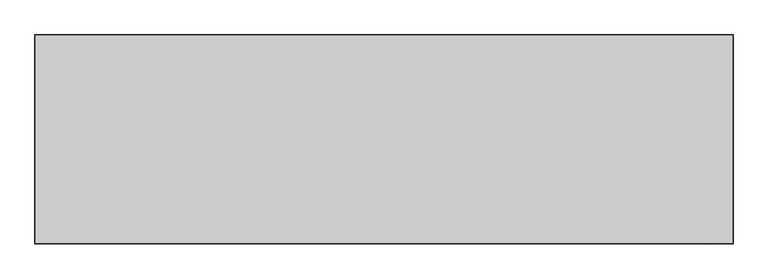
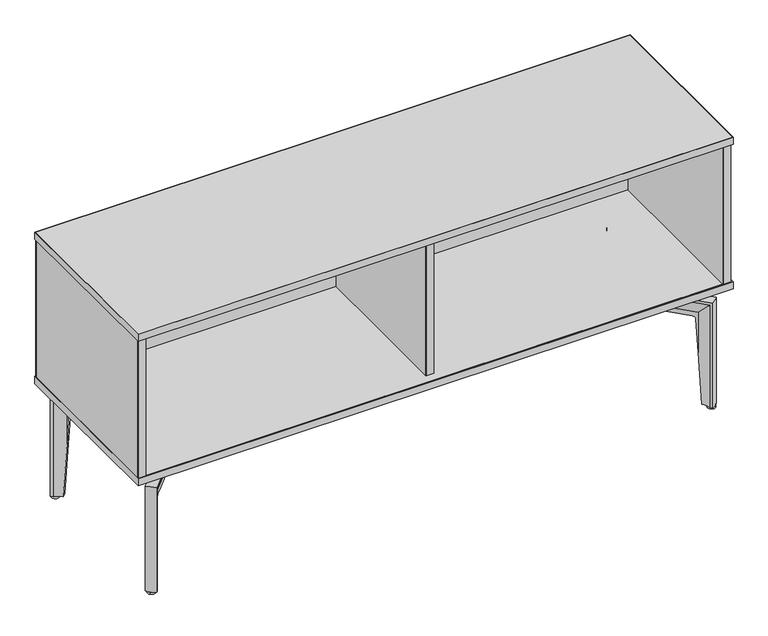
"""IFC4 building model written with IfcOpenShell, lengths in millimetres: furniture geometry."""

from ifc_helpers import new_model, si_unit, point, frame, frame_2d, origin, origin_with_axes, place, context, project, spatial, polyline, circle_curve, ellipse_curve, trimmed, segment, composite_curve, outline, extrude, source, transform, mapped, element, save
from ifc_brep_helpers import plane_surface, cylinder_surface, revolved_surface, advanced_brep


def furniture_8b2c72a3(model_context):
    return source(origin(), model_context, "Body", "SolidModel", [
        extrude(outline(polyline([(702.1577951, -741.3402537), (482.4042217, -741.3402537), (549.8341331, -9.144), (702.1577951, -9.144), (702.1577951, -741.3402537)])), frame((0.0, 196.2456986, 0.0), z_axis=(0.0, 1.0, 0.0), x_axis=(0.0, 0.0, 1.0)), (0.0, 0.0, 1.0), 5.5970234),
        extrude(outline(polyline([(702.1577951, 9.398), (481.9859456, 9.398), (549.0494889, 737.616), (702.1577951, 737.616), (702.1577951, 9.398)])), frame((0.0, 196.2456986, 0.0), z_axis=(0.0, 1.0, 0.0), x_axis=(0.0, 0.0, 1.0)), (0.0, 0.0, 1.0), 5.5970234),
        extrude(outline(polyline([(330.3398292, -741.3402537), (330.3398292, -9.144), (549.3343074, -9.144), (481.9043961, -741.3402537), (330.3398292, -741.3402537)])), frame((0.0, 196.2456986, 0.0), z_axis=(0.0, 1.0, 0.0), x_axis=(0.0, 0.0, 1.0)), (0.0, 0.0, 1.0), 5.5970234),
        extrude(outline(polyline([(330.3398292, 9.398), (330.3398292, 737.616), (548.5496633, 737.616), (481.48612, 9.398), (330.3398292, 9.398)])), frame((0.0, 196.2456986, 0.0), z_axis=(0.0, 1.0, 0.0), x_axis=(0.0, 0.0, 1.0)), (0.0, 0.0, 1.0), 5.5970234),
        advanced_brep(
        [(555.5054764, -28.1021782, 289.6785635), (555.5054764, -28.1021782, 283.3285635), (550.1618451, -33.1568653, 253.1125717), (550.1618451, -33.1568653, 240.9225725), (543.0228204, -39.909864, 240.9225725), (543.0228204, -39.909864, 253.4109455), (537.0530074, -45.5568735, 284.0790905), (537.0530074, -45.5568735, 289.6785635), (710.2813744, -228.6876014, 289.6785635), (728.7338434, -211.2329061, 289.6785635), (706.4334573, -224.6197234, 284.0790905), (706.4334573, -224.6197234, 6.3562496), (710.2813744, -228.6876014, 6.3562496), (691.328344, -196.6930685, 253.4109455), (676.9014635, -181.4414953, 240.9225725), (676.9014635, -181.4414953, 241.3236963), (681.4424072, -186.2420158, 241.3236963), (687.4986681, -192.6444745, 233.0469295), (691.328344, -196.6930685, 144.3369902), (684.0404881, -174.6884965, 240.9225725), (698.2623283, -189.7233087, 253.1125717), (698.2623283, -189.7233087, 149.086507), (694.6376927, -185.8914758, 233.0469295), (688.5814318, -179.4890171, 241.3236963), (684.0404881, -174.6884965, 241.3236963), (724.3701696, -206.6197889, 283.3285635), (728.7338434, -211.2329061, 6.3562496), (724.3701696, -206.6197889, 6.3562496), (696.9797212, -203.2791564, 6.3562496), (705.0224989, -195.6712729, 6.3562496)],
        [
            (0, 1),
            (1, 2, circle_curve(frame((605.1959857, 18.9014344, 250.6746121), z_axis=(0.6871927300424193, -0.7264751556501067, 0.0), x_axis=(0.0, 0.0, -1.0)), 75.7942403)),
            (2, 3),
            (3, 4),
            (4, 5),
            (5, 6, circle_curve(frame((502.9988711, -77.769613, 255.0837365), z_axis=(0.6871927300424193, -0.7264751556501067, 0.0), x_axis=(0.0, 0.0, -1.0)), 55.1187386)),
            (6, 7),
            (7, 0, circle_curve(frame((546.2792419, -36.8295258, 254.503341), z_axis=(-0.6871927300424193, 0.7264751556501067, 0.0), x_axis=(0.0, 0.0, -1.0)), 37.3976775)),
            (7, 8),
            (8, 9, ellipse_curve(frame((695.3354517, -194.4063285, 254.503341), z_axis=(-0.48591863939508295, 0.5136955089237483, 0.7071067811865492), x_axis=(-0.4859186393950995, 0.5136955089237378, -0.7071067811865457)), 52.8883027, 37.3976775)),
            (9, 0),
            (6, 10),
            (10, 11),
            (11, 12),
            (12, 8),
            (5, 13),
            (13, 10, ellipse_curve(frame((652.4539245, -235.7680586, 255.0837365), z_axis=(0.48591863939508295, -0.5136955089237483, -0.7071067811865492), x_axis=(0.4859186393950995, -0.5136955089237378, 0.7071067811865457)), 77.9496676, 55.1187386)),
            (4, 14),
            (14, 15),
            (15, 16),
            (16, 17, circle_curve(frame((681.4424072, -186.2420158, 232.493277), z_axis=(0.7264751556501068, 0.6871927300424192, 0.0), x_axis=(-0.6871927300424193, 0.7264751556501069, 0.0)), 8.8304193)),
            (17, 18),
            (18, 13),
            (3, 19),
            (19, 14),
            (2, 20),
            (20, 21),
            (21, 22),
            (22, 23, circle_curve(frame((688.5814318, -179.4890171, 232.493277), z_axis=(-0.7264751556501068, -0.6871927300424192, 0.0), x_axis=(-0.6871927300424193, 0.7264751556501069, 0.0)), 8.8304193)),
            (23, 24),
            (24, 19),
            (1, 25),
            (25, 20, ellipse_curve(frame((751.6211209, -135.8938918, 250.6746121), z_axis=(0.48591863939508295, -0.5136955089237483, -0.7071067811865492), x_axis=(0.4859186393950995, -0.5136955089237378, 0.7071067811865457)), 107.1892425, 75.7942403)),
            (9, 26),
            (26, 27),
            (27, 25),
            (11, 28, circle_curve(frame((652.4539245, -235.7680586, 6.3562496), z_axis=(0.0, 0.0, 1.0), x_axis=(-0.6871927300424193, 0.7264751556501067, 0.0)), 55.1187386)),
            (28, 29),
            (29, 27, circle_curve(frame((751.6211209, -135.8938918, 6.3562496), z_axis=(0.0, 0.0, 1.0), x_axis=(-0.6871927300424193, 0.7264751556501067, 0.0)), 75.7942403)),
            (26, 12, circle_curve(frame((695.3354517, -194.4063285, 6.3562496), z_axis=(0.0, 0.0, -1.0), x_axis=(-0.6871927300424193, 0.7264751556501067, 0.0)), 37.3976775)),
            (18, 28, ellipse_curve(frame((652.4539245, -235.7680586, 117.7094839), z_axis=(-0.6858406956061548, 0.7250458340281075, -0.06269831583824162), x_axis=(0.0430858268299333, -0.045548768757595434, -0.9980325251168162)), 879.1103529, 55.1187386)),
            (29, 21, ellipse_curve(frame((751.6211209, -135.8938918, 187.8939772), z_axis=(-0.6858406956061548, 0.7250458340281075, -0.06269831583824162), x_axis=(0.0430858268299333, -0.045548768757595434, -0.9980325251168162)), 1208.8720287, 75.7942403)),
            (24, 15),
            (23, 16),
            (17, 22),
        ],
        [
            plane_surface(frame((546.6180744, -36.509015, 241.3236963), z_axis=(-0.6871927300424193, 0.7264751556501067, 0.0), x_axis=(0.7264751556501067, 0.6871927300424193, 0.0))),
            cylinder_surface(frame((546.2792419, -36.8295258, 254.503341), z_axis=(-0.6871927300424194, 0.7264751556501068, 0.0), x_axis=(0.0, 0.0, -1.0)), 37.3976775),
            plane_surface(frame((537.0530074, -45.5568735, 284.0790905), z_axis=(-0.7264751556501069, -0.6871927300424192, 0.0), x_axis=(0.6871927300424192, -0.7264751556501069, 0.0))),
            revolved_surface(polyline([(690.3311209163066, -275.8104527731235, 199.9649979), (502.9988710580107, -77.7696129556105, 199.9649979)]), (502.9988711, -77.769613, 255.0837365), (0.6871927300424194, -0.7264751556501068, 0.0)),
            plane_surface(frame((543.0228204, -39.909864, 240.9225725), z_axis=(-0.726475155650107, -0.6871927300424191, 0.0), x_axis=(0.6871927300424191, -0.726475155650107, 0.0))),
            plane_surface(frame((550.1618451, -33.1568653, 240.9225725), z_axis=(0.0, 0.0, -1.0), x_axis=(0.6871927300424192, -0.7264751556501068, 0.0))),
            plane_surface(frame((550.1618451, -33.1568653, 253.1125717), z_axis=(0.7264751556501066, 0.6871927300424195, 0.0), x_axis=(0.6871927300424195, -0.7264751556501066, 0.0))),
            revolved_surface(polyline([(803.706371717944, -190.95652432963692, 174.88037179999998), (605.1959857, 18.9014344, 174.88037179999998)]), (605.1959857, 18.9014344, 250.6746121), (0.6871927300424194, -0.7264751556501068, 0.0)),
            plane_surface(frame((555.5054764, -28.1021782, 289.6785635), z_axis=(0.726475155650107, 0.6871927300424191, 0.0), x_axis=(0.6871927300424191, -0.726475155650107, 0.0))),
            plane_surface(frame((686.6173282, -184.5111332, 6.3562496), z_axis=(0.0, 0.0, -1.0000000000000002), x_axis=(0.7264751556501068, 0.6871927300424193, 0.0))),
            cylinder_surface(frame((695.3354517, -194.4063285, 241.3236963), z_axis=(0.0, 0.0, 0.9999999999999999), x_axis=(-0.6871927300424193, 0.7264751556501067, 0.0)), 37.3976775),
            revolved_surface(polyline([(614.5767280449714, -195.72566439632743, -759.671241461122), (614.5767280449714, -195.72566439632743, 995.0902092611223)]), (652.4539245, -235.7680586, 241.3236963), (0.0, 0.0, -0.9999999999999999)),
            revolved_surface(polyline([(699.5358699867519, -80.83125928067591, -1018.5996261465491), (699.5358699867519, -80.83125928067591, 1394.3875805465489)]), (751.6211209, -135.8938918, 241.3236963), (0.0, 0.0, -0.9999999999999999)),
            plane_surface(frame((459.06709, -387.4969903, 241.3236963), z_axis=(0.6871927300424192, -0.7264751556501068, 0.0), x_axis=(0.7264751556501068, 0.6871927300424192, 0.0))),
            plane_surface(frame((463.6080337, -392.2975108, 241.3236963), z_axis=(0.0, 0.0, -1.0000000000000002), x_axis=(0.7264751556501069, 0.6871927300424191, 0.0))),
            plane_surface(frame((480.794127, -410.4660235, -24.7625535), z_axis=(-0.6858406956061548, 0.7250458340281075, -0.06269831583824162), x_axis=(0.7264751556501068, 0.6871927300424192, 0.0))),
            revolved_surface(polyline([(675.3742072634573, -179.8269355747717, 232.493277), (682.5132318526814, -173.07393685326872, 232.493277)]), (843.4060983, -33.0361282, 232.493277), (-0.7264751556501069, -0.6871927300424193, 0.0)),
        ],
        [
            (0, [[1, 2, 3, 4, 5, 6, 7, 8]]),
            (1, [[-8, 9, 10, 11]]),
            (2, [[-7, 12, 13, 14, 15, -9]]),
            (3, [[-6, 16, 17, -12]]),
            (4, [[-5, 18, 19, 20, 21, 22, 23, -16]]),
            (5, [[-4, 24, 25, -18]]),
            (6, [[-3, 26, 27, 28, 29, 30, 31, -24]]),
            (7, [[-2, 32, 33, -26]]),
            (8, [[-1, -11, 34, 35, 36, -32]]),
            (9, [[-14, 37, 38, 39, -35, 40]]),
            (10, [[-10, -15, -40, -34]]),
            (11, [[-13, -17, -23, 41, -37]]),
            (12, [[-33, -36, -39, 42, -27]]),
            (13, [[43, -19, -25, -31]]),
            (14, [[-43, -30, 44, -20]]),
            (15, [[45, -28, -42, -38, -41, -22]]),
            (16, [[-44, -29, -45, -21]]),
        ],
    ),
        extrude(outline(composite_curve([segment(polyline([(4.5840778, 0.0), (4.5840778, -44.6457894)]), True, "CONTINUOUS"), segment(trimmed(circle_curve(frame_2d((12.9012907, -44.6457894)), 8.3172129), [point((4.5840778, -44.6457894))], [point((12.9012907, -52.9630023))], True, "CARTESIAN"), True, "CONTINUOUS"), segment(polyline([(12.9012907, -52.9630023), (42.0337655, -52.9630023)]), True, "CONTINUOUS"), segment(trimmed(circle_curve(frame_2d((42.0337655, -44.9488052)), 8.0141971), [point((42.0337655, -52.9630023))], [point((50.0479626, -44.9488052))], True, "CARTESIAN"), True, "CONTINUOUS"), segment(polyline([(50.0479626, -44.9488052), (50.0479626, 0.2920503), (57.3277972, 0.2920503), (57.3277972, -45.579461)]), True, "CONTINUOUS"), segment(trimmed(circle_curve(frame_2d((44.6277972, -45.579461)), 12.7), [point((57.3277972, -45.579461))], [point((44.6277972, -58.279461))], False, "CARTESIAN"), True, "CONTINUOUS"), segment(polyline([(44.6277972, -58.279461), (9.6882895, -58.279461)]), True, "CONTINUOUS"), segment(trimmed(circle_curve(frame_2d((9.6882895, -48.5911714)), 9.6882895), [point((9.6882895, -58.279461))], [point((0.0, -48.5911714))], False, "CARTESIAN"), True, "CONTINUOUS"), segment(polyline([(0.0, -48.5911714), (0.0, 0.0), (4.5840778, 0.0)]), True, "CONTINUOUS")], self_intersect=False)), frame((500.2529225, -9.2745993, 291.9003697), z_axis=(0.7264751556501202, 0.6871927300424051, 0.0), x_axis=(0.0, 0.0, -1.0)), (0.0, 0.0, 1.0), 28.0975143),
        extrude(outline(composite_curve([segment(polyline([(619.1341848, -98.6051615), (643.1823717, -126.494752)]), True, "CONTINUOUS"), segment(trimmed(circle_curve(frame_2d((635.994107, -131.6733748)), 8.8594178), [point((643.1823717, -126.494752))], [point((629.8143067, -138.0215518))], False, "CARTESIAN"), True, "CONTINUOUS"), segment(polyline([(629.8143067, -138.0215518), (604.1063051, -112.9954194)]), True, "CONTINUOUS"), segment(trimmed(circle_curve(frame_2d((611.2446339, -105.4080364)), 10.4174911), [point((604.1063051, -112.9954194))], [point((619.1341848, -98.6051615))], False, "CARTESIAN"), True, "CONTINUOUS")], self_intersect=False)), frame((0.0, 0.0, 287.3162919), z_axis=(0.0, 0.0, 1.0), x_axis=(1.0, 0.0, 0.0)), (0.0, 0.0, 1.0), 14.2341844),
        extrude(outline(composite_curve([segment(trimmed(circle_curve(frame_2d((715.0885014, -213.5859112)), 9.8672738), [point((722.8121081, -219.7266758))], [point((707.3648946, -207.4451465))], False, "CARTESIAN"), True, "CONTINUOUS"), segment(trimmed(circle_curve(frame_2d((715.0885014, -213.5859112)), 9.8672738), [point((707.3648946, -207.4451465))], [point((722.8121081, -219.7266758))], False, "CARTESIAN"), True, "CONTINUOUS")], self_intersect=False)), origin_with_axes(), (0.0, 0.0, 1.0), 6.6101858),
        advanced_brep(
        [(555.86769, 27.9858729, 289.6785635), (537.4128499, 45.4380613, 289.6785635), (537.4128499, 45.4380613, 284.0790905), (543.38343, 39.7918629, 253.4109455), (543.38343, 39.7918629, 240.9225725), (550.523372, 33.0398341, 240.9225725), (550.523372, 33.0398341, 253.1125717), (555.86769, 27.9858729, 283.3285635), (729.0711768, 211.1401325, 289.6785635), (710.6163367, 228.5923209, 289.6785635), (710.6163367, 228.5923209, 6.3562496), (706.7689722, 224.5239201, 6.3562496), (706.7689722, 224.5239201, 284.0790905), (691.667653, 196.5952135, 253.4109455), (691.667653, 196.5952135, 144.3369902), (687.8385271, 192.5460992, 233.0469295), (681.7831361, 186.1428178, 241.3236963), (677.2428446, 181.3416805, 241.3236963), (677.2428446, 181.3416805, 240.9225725), (684.3827865, 174.5896516, 240.9225725), (684.3827865, 174.5896516, 241.3236963), (688.923078, 179.390789, 241.3236963), (694.9784691, 185.7940704, 233.0469295), (698.6025841, 189.6263957, 149.086507), (698.6025841, 189.6263957, 253.1125717), (724.7081297, 206.5264225, 283.3285635), (724.7081297, 206.5264225, 6.3562496), (729.0711768, 211.1401325, 6.3562496), (705.3619465, 195.5752782, 6.3562496), (697.3181354, 203.182069, 6.3562496)],
        [
            (0, 1, circle_curve(frame((546.6402699, 36.7119671, 254.503341), z_axis=(-0.6870940309082151, -0.7265685051599065, 0.0), x_axis=(0.0, 0.0, -1.0)), 37.3976775)),
            (1, 2),
            (2, 3, circle_curve(frame((503.3543377, 77.6461742, 255.0837365), z_axis=(0.6870940309082151, 0.7265685051599065, 0.0), x_axis=(0.0, 0.0, -1.0)), 55.1187386)),
            (3, 4),
            (4, 5),
            (5, 6),
            (6, 7, circle_curve(frame((605.5645844, -19.0109887, 250.6746121), z_axis=(0.6870940309082151, 0.7265685051599065, 0.0), x_axis=(0.0, 0.0, -1.0)), 75.7942403)),
            (7, 0),
            (0, 8),
            (8, 9, ellipse_curve(frame((695.6750713, 194.3090178, 254.503341), z_axis=(-0.4858488485679899, -0.513761516995148, 0.7071067811865492), x_axis=(-0.48584884856800636, -0.5137615169951377, -0.7071067811865456)), 52.8883027, 37.3976775)),
            (9, 1),
            (9, 10),
            (10, 11),
            (11, 12),
            (12, 2),
            (12, 13, ellipse_curve(frame((652.7879254, 235.664922, 255.0837365), z_axis=(0.4858488485679899, 0.513761516995148, -0.7071067811865492), x_axis=(0.48584884856800636, 0.5137615169951377, 0.7071067811865456)), 77.9496676, 55.1187386)),
            (13, 3),
            (13, 14),
            (14, 15),
            (15, 16, circle_curve(frame((681.7831361, 186.1428178, 232.493277), z_axis=(0.7265685051599066, -0.687094030908215, 0.0), x_axis=(-0.687094030908215, -0.7265685051599066, 0.0)), 8.8304193)),
            (16, 17),
            (17, 18),
            (18, 4),
            (18, 19),
            (19, 5),
            (19, 20),
            (20, 21),
            (21, 22, circle_curve(frame((688.923078, 179.390789, 232.493277), z_axis=(-0.7265685051599066, 0.687094030908215, 0.0), x_axis=(-0.687094030908215, -0.7265685051599066, 0.0)), 8.8304193)),
            (22, 23),
            (23, 24),
            (24, 6),
            (24, 25, ellipse_curve(frame((751.968689, 135.8042282, 250.6746121), z_axis=(0.4858488485679899, 0.513761516995148, -0.7071067811865492), x_axis=(0.48584884856800636, 0.5137615169951377, 0.7071067811865456)), 107.1892425, 75.7942403)),
            (25, 7),
            (25, 26),
            (26, 27),
            (27, 8),
            (10, 27, circle_curve(frame((695.6750713, 194.3090178, 6.3562496), z_axis=(0.0, 0.0, -1.0), x_axis=(-0.687094030908215, -0.7265685051599063, 0.0)), 37.3976775)),
            (26, 28, circle_curve(frame((751.968689, 135.8042282, 6.3562496), z_axis=(0.0, 0.0, 1.0), x_axis=(-0.687094030908215, -0.7265685051599063, 0.0)), 75.7942403)),
            (28, 29),
            (29, 11, circle_curve(frame((652.7879254, 235.664922, 6.3562496), z_axis=(0.0, 0.0, 1.0), x_axis=(-0.687094030908215, -0.7265685051599063, 0.0)), 55.1187386)),
            (29, 14, ellipse_curve(frame((652.7879254, 235.664922, 117.7094839), z_axis=(-0.6857421906600181, -0.7251389998750913, -0.06269831583824162), x_axis=(0.04307963856044399, 0.0455546216146442, -0.9980325251168162)), 879.1103529, 55.1187386)),
            (23, 28, ellipse_curve(frame((751.968689, 135.8042282, 187.8939772), z_axis=(-0.6857421906600181, -0.7251389998750913, -0.06269831583824162), x_axis=(0.04307963856044399, 0.0455546216146442, -0.9980325251168162)), 1208.8720287, 75.7942403)),
            (17, 20),
            (16, 21),
            (22, 15),
        ],
        [
            plane_surface(frame((546.9791459, 36.3915023, 241.3236963), z_axis=(-0.6870940309082151, -0.7265685051599065, 0.0), x_axis=(0.7265685051599065, -0.6870940309082151, 0.0))),
            cylinder_surface(frame((546.6402699, 36.7119671, 254.503341), z_axis=(-0.6870940309082151, -0.7265685051599065, 0.0), x_axis=(0.0, 0.0, -1.0)), 37.3976775),
            plane_surface(frame((537.4128499, 45.4380613, 284.0790905), z_axis=(-0.7265685051599066, 0.687094030908215, 0.0), x_axis=(0.687094030908215, 0.7265685051599066, 0.0))),
            revolved_surface(polyline([(690.6596816127358, 275.7124615104164, 199.9649979), (503.3543376934452, 77.64617419306862, 199.9649979)]), (503.3543377, 77.6461742, 255.0837365), (0.6870940309082151, 0.7265685051599065, 0.0)),
            plane_surface(frame((543.38343, 39.7918629, 240.9225725), z_axis=(-0.7265685051599067, 0.6870940309082147, 0.0), x_axis=(0.6870940309082147, 0.7265685051599067, 0.0))),
            plane_surface(frame((550.523372, 33.0398341, 240.9225725), z_axis=(0.0, 0.0, -1.0000000000000002), x_axis=(0.687094030908215, 0.7265685051599066, 0.0))),
            plane_surface(frame((550.523372, 33.0398341, 253.1125717), z_axis=(0.7265685051599063, -0.6870940309082152, 0.0), x_axis=(0.6870940309082152, 0.7265685051599063, 0.0))),
            revolved_surface(polyline([(804.046459045506, 190.8739360342472, 174.88037179999998), (605.5645843883216, -19.01098871234936, 174.88037179999998)]), (605.5645844, -19.0109887, 250.6746121), (0.6870940309082151, 0.7265685051599065, 0.0)),
            plane_surface(frame((555.86769, 27.9858729, 289.6785635), z_axis=(0.7265685051599067, -0.6870940309082147, 0.0), x_axis=(0.6870940309082147, 0.7265685051599067, 0.0))),
            plane_surface(frame((686.9582921, 184.4126383, 6.3562496), z_axis=(0.0, 0.0, -1.0), x_axis=(0.7265685051599065, -0.687094030908215, 0.0))),
            cylinder_surface(frame((695.6750713, 194.3090178, 241.3236963), z_axis=(0.0, 0.0, 0.9999999999999999), x_axis=(-0.687094030908215, -0.7265685051599063, 0.0)), 37.3976775),
            revolved_surface(polyline([(614.9161691167498, 195.61738248909836, -759.671241461122), (614.9161691167498, 195.61738248909836, 995.0902092611223)]), (652.7879254, 235.664922, 241.3236963), (0.0, 0.0, -0.9999999999999999)),
            revolved_surface(polyline([(699.8909189126472, 80.73452032549828, -1018.5996261465491), (699.8909189126472, 80.73452032549828, 1394.3875805465489)]), (751.968689, 135.8042282, 241.3236963), (0.0, 0.0, -0.9999999999999999)),
            plane_surface(frame((459.3804801, 387.3675805, 241.3236963), z_axis=(0.687094030908215, 0.7265685051599066, 0.0), x_axis=(0.7265685051599066, -0.687094030908215, 0.0))),
            plane_surface(frame((463.9207716, 392.1687178, 241.3236963), z_axis=(0.0, 0.0, -1.0), x_axis=(0.7265685051599066, -0.6870940309082149, 0.0))),
            plane_surface(frame((481.1043965, 410.3395651, -24.7625535), z_axis=(-0.6857421906600181, -0.7251389998750913, -0.06269831583824162), x_axis=(0.7265685051599066, -0.687094030908215, 0.0))),
            revolved_surface(polyline([(675.7158076862299, 179.7269132855288, 232.493277), (682.8557496469156, 172.97488444395583, 232.493277)]), (843.767639, 32.9589346, 232.493277), (-0.7265685051599066, 0.687094030908215, 0.0)),
        ],
        [
            (0, [[1, 2, 3, 4, 5, 6, 7, 8]]),
            (1, [[9, 10, 11, -1]]),
            (2, [[-11, 12, 13, 14, 15, -2]]),
            (3, [[-15, 16, 17, -3]]),
            (4, [[-17, 18, 19, 20, 21, 22, 23, -4]]),
            (5, [[-23, 24, 25, -5]]),
            (6, [[-25, 26, 27, 28, 29, 30, 31, -6]]),
            (7, [[-31, 32, 33, -7]]),
            (8, [[-33, 34, 35, 36, -9, -8]]),
            (9, [[37, -35, 38, 39, 40, -13]]),
            (10, [[-36, -37, -12, -10]]),
            (11, [[-40, 41, -18, -16, -14]]),
            (12, [[-30, 42, -38, -34, -32]]),
            (13, [[-26, -24, -22, 43]]),
            (14, [[-21, 44, -27, -43]]),
            (15, [[-19, -41, -39, -42, -29, 45]]),
            (16, [[-20, -45, -28, -44]]),
        ],
    ),
        extrude(outline(composite_curve([segment(polyline([(-4.5840778, 0.0), (-4.5840778, 44.6457894)]), True, "CONTINUOUS"), segment(trimmed(circle_curve(frame_2d((-12.9012907, 44.6457894)), 8.3172129), [point((-4.5840778, 44.6457894))], [point((-12.9012907, 52.9630023))], True, "CARTESIAN"), True, "CONTINUOUS"), segment(polyline([(-12.9012907, 52.9630023), (-42.0337655, 52.9630023)]), True, "CONTINUOUS"), segment(trimmed(circle_curve(frame_2d((-42.0337655, 44.9488052)), 8.0141971), [point((-42.0337655, 52.9630023))], [point((-50.0479626, 44.9488052))], True, "CARTESIAN"), True, "CONTINUOUS"), segment(polyline([(-50.0479626, 44.9488052), (-50.0479626, -0.2920504), (-57.3277972, -0.2920504), (-57.3277972, 45.5794611)]), True, "CONTINUOUS"), segment(trimmed(circle_curve(frame_2d((-44.6277972, 45.5794611)), 12.7), [point((-57.3277972, 45.5794611))], [point((-44.6277972, 58.279461))], False, "CARTESIAN"), True, "CONTINUOUS"), segment(polyline([(-44.6277972, 58.279461), (-9.6882895, 58.279461)]), True, "CONTINUOUS"), segment(trimmed(circle_curve(frame_2d((-9.6882895, 48.5911715)), 9.6882895), [point((-9.6882895, 58.279461))], [point((0.0, 48.5911715))], False, "CARTESIAN"), True, "CONTINUOUS"), segment(polyline([(0.0, 48.5911715), (0.0, 0.0), (-4.5840778, 0.0)]), True, "CONTINUOUS")], self_intersect=False)), frame((521.0324633, -10.1548463, 291.9003697), z_axis=(-0.72656850515992, 0.6870940309082008, 0.0), x_axis=(0.0, 0.0, 1.0)), (0.0, 0.0, 1.0), 28.0975143),
        extrude(outline(composite_curve([segment(trimmed(circle_curve(frame_2d((611.5963448, 105.2993027)), 10.4174911), [point((619.4868198, 98.4974996))], [point((604.4569853, 112.8857159))], False, "CARTESIAN"), True, "CONTINUOUS"), segment(polyline([(604.4569853, 112.8857159), (630.1615868, 137.9153405)]), True, "CONTINUOUS"), segment(trimmed(circle_curve(frame_2d((636.3422495, 131.5680031)), 8.8594178), [point((630.1615868, 137.9153405))], [point((643.5312177, 126.3903569))], False, "CARTESIAN"), True, "CONTINUOUS"), segment(polyline([(643.5312177, 126.3903569), (619.4868198, 98.4974996)]), True, "CONTINUOUS")], self_intersect=False)), frame((0.0, 0.0, 287.3162919), z_axis=(0.0, 0.0, 1.0), x_axis=(1.0, 0.0, 0.0)), (0.0, 0.0, 1.0), 14.2341844),
        extrude(outline(composite_curve([segment(trimmed(circle_curve(frame_2d((715.4255152, 213.4912838)), 9.8672738), [point((723.1482877, 219.6330977))], [point((707.7027427, 207.3494699))], False, "CARTESIAN"), True, "CONTINUOUS"), segment(trimmed(circle_curve(frame_2d((715.4255152, 213.4912838)), 9.8672738), [point((707.7027427, 207.3494699))], [point((723.1482877, 219.6330977))], False, "CARTESIAN"), True, "CONTINUOUS")], self_intersect=False)), origin_with_axes(), (0.0, 0.0, 1.0), 6.6101858),
        advanced_brep(
        [(-559.1086904, -28.5240498, 289.6785635), (-540.7145951, -46.0402497, 289.6785635), (-540.7145951, -46.0402497, 284.0790905), (-546.6655228, -40.373342, 253.4109455), (-546.6655228, -40.373342, 240.9225725), (-553.7819634, -33.596548, 240.9225725), (-553.7819634, -33.596548, 253.1125717), (-559.1086904, -28.5240498, 283.3285635), (-732.9474564, -211.075451, 289.6785635), (-714.553361, -228.5916509, 289.6785635), (-714.553361, -228.5916509, 6.3562496), (-710.6918851, -224.5366414, 6.3562496), (-710.6918851, -224.5366414, 284.0790905), (-695.4936256, -196.6605691, 253.4109455), (-695.4936256, -196.6605691, 144.3369902), (-691.6504552, -192.6247827, 233.0469295), (-685.5728541, -186.2425779, 241.3236963), (-681.0159096, -181.4572437, 241.3236963), (-681.0159096, -181.4572437, 240.9225725), (-688.1323502, -174.6804496, 240.9225725), (-688.1323502, -174.6804496, 241.3236963), (-692.6892947, -179.4657838, 241.3236963), (-698.7668958, -185.8479886, 233.0469295), (-702.4043034, -189.6676997, 149.086507), (-702.4043034, -189.6676997, 253.1125717), (-728.5684064, -206.4769272, 283.3285635), (-728.5684064, -206.4769272, 6.3562496), (-732.9474564, -211.075451, 6.3562496), (-709.184293, -195.5930626, 6.3562496), (-701.1669583, -203.2277537, 6.3562496)],
        [
            (0, 1, circle_curve(frame((-549.9116427, -37.2821498, 254.503341), z_axis=(0.6896141680053214, 0.7241769806382474, 0.0), x_axis=(0.0, 0.0, -1.0)), 37.3976775)),
            (1, 2),
            (2, 3, circle_curve(frame((-506.7681876, -78.3664961, 255.0837365), z_axis=(-0.6896141680053214, -0.7241769806382474, 0.0), x_axis=(0.0, 0.0, -1.0)), 55.1187386)),
            (3, 4),
            (4, 5),
            (5, 6),
            (6, 7, circle_curve(frame((-608.6420058, 18.6451878, 250.6746121), z_axis=(-0.6896141680053214, -0.7241769806382474, 0.0), x_axis=(0.0, 0.0, -1.0)), 75.7942403)),
            (7, 0),
            (0, 8),
            (8, 9, ellipse_curve(frame((-699.4930769, -194.3604645, 254.503341), z_axis=(0.4876308545988735, 0.5120704537885091, 0.7071067811865492), x_axis=(0.48763085459889, 0.5120704537884986, -0.7071067811865456)), 52.8883027, 37.3976775)),
            (9, 1),
            (9, 10),
            (10, 11),
            (11, 12),
            (12, 2),
            (12, 13, ellipse_curve(frame((-656.7498707, -235.8651199, 255.0837365), z_axis=(-0.4876308545988735, -0.5120704537885091, -0.7071067811865492), x_axis=(-0.48763085459889, -0.5120704537884986, 0.7071067811865456)), 77.9496676, 55.1187386)),
            (13, 3),
            (13, 14),
            (14, 15),
            (15, 16, circle_curve(frame((-685.5728541, -186.2425779, 232.493277), z_axis=(-0.7241769806382474, 0.6896141680053212, 0.0), x_axis=(0.6896141680053212, 0.7241769806382474, 0.0)), 8.8304193)),
            (16, 17),
            (17, 18),
            (18, 4),
            (18, 19),
            (19, 5),
            (19, 20),
            (20, 21),
            (21, 22, circle_curve(frame((-692.6892947, -179.4657838, 232.493277), z_axis=(0.7241769806382474, -0.6896141680053212, 0.0), x_axis=(0.6896141680053212, 0.7241769806382474, 0.0)), 8.8304193)),
            (22, 23),
            (23, 24),
            (24, 6),
            (24, 25, ellipse_curve(frame((-755.5830943, -135.6604496, 250.6746121), z_axis=(-0.4876308545988735, -0.5120704537885091, -0.7071067811865492), x_axis=(-0.48763085459889, -0.5120704537884986, 0.7071067811865456)), 107.1892425, 75.7942403)),
            (25, 7),
            (25, 26),
            (26, 27),
            (27, 8),
            (10, 27, circle_curve(frame((-699.4930769, -194.3604645, 6.3562496), z_axis=(0.0, 0.0, -1.0), x_axis=(0.6896141680053212, 0.7241769806382472, 0.0)), 37.3976775)),
            (26, 28, circle_curve(frame((-755.5830943, -135.6604496, 6.3562496), z_axis=(0.0, 0.0, 1.0), x_axis=(0.6896141680053212, 0.7241769806382472, 0.0)), 75.7942403)),
            (28, 29),
            (29, 11, circle_curve(frame((-656.7498707, -235.8651199, 6.3562496), z_axis=(0.0, 0.0, 1.0), x_axis=(0.6896141680053212, 0.7241769806382472, 0.0)), 55.1187386)),
            (29, 14, ellipse_curve(frame((-656.7498707, -235.8651199, 117.7094839), z_axis=(0.6882573694506836, 0.7227521806178612, -0.06269831583824159), x_axis=(-0.04323764691211404, -0.045404677054850344, -0.9980325251168162)), 879.1103529, 55.1187386)),
            (23, 28, ellipse_curve(frame((-755.5830943, -135.6604496, 187.8939772), z_axis=(0.6882573694506836, 0.7227521806178612, -0.06269831583824159), x_axis=(-0.04323764691211404, -0.045404677054850344, -0.9980325251168162)), 1208.8720287, 75.7942403)),
            (17, 20),
            (16, 21),
            (22, 15),
        ],
        [
            plane_surface(frame((-550.2494033, -36.9605095, 241.3236963), z_axis=(0.6896141680053214, 0.7241769806382474, 0.0), x_axis=(-0.7241769806382474, 0.6896141680053214, 0.0))),
            cylinder_surface(frame((-549.9116427, -37.2821498, 254.503341), z_axis=(0.6896141680053213, 0.7241769806382473, 0.0), x_axis=(0.0, 0.0, -1.0)), 37.3976775),
            plane_surface(frame((-540.7145951, -46.0402497, 284.0790905), z_axis=(0.7241769806382475, -0.6896141680053212, 0.0), x_axis=(-0.6896141680053212, -0.7241769806382475, 0.0))),
            revolved_surface(polyline([(-694.7605337241698, -275.7808415637538, 199.9649979), (-506.7681875989764, -78.36649609892515, 199.9649979)]), (-506.7681876, -78.3664961, 255.0837365), (-0.6896141680053213, -0.7241769806382473, 0.0)),
            plane_surface(frame((-546.6655228, -40.373342, 240.9225725), z_axis=(0.7241769806382476, -0.6896141680053209, 0.0), x_axis=(-0.6896141680053209, -0.7241769806382476, 0.0))),
            plane_surface(frame((-553.7819634, -33.596548, 240.9225725), z_axis=(0.0, 0.0, -1.0), x_axis=(-0.6896141680053212, -0.7241769806382474, 0.0))),
            plane_surface(frame((-553.7819634, -33.596548, 253.1125717), z_axis=(-0.7241769806382473, 0.6896141680053215, 0.0), x_axis=(-0.6896141680053215, -0.7241769806382473, 0.0))),
            revolved_surface(polyline([(-807.8518761896867, -190.5488936809748, 174.88037179999998), (-608.6420057834906, 18.645187817336843, 174.88037179999998)]), (-608.6420058, 18.6451878, 250.6746121), (-0.6896141680053213, -0.7241769806382473, 0.0)),
            plane_surface(frame((-559.1086904, -28.5240498, 289.6785635), z_axis=(-0.7241769806382476, 0.6896141680053209, 0.0), x_axis=(-0.6896141680053209, -0.7241769806382476, 0.0))),
            plane_surface(frame((-690.7419678, -184.494429, 6.3562496), z_axis=(0.0, 0.0, -1.0), x_axis=(-0.7241769806382474, 0.6896141680053213, 0.0))),
            cylinder_surface(frame((-699.4930769, -194.3604645, 241.3236963), z_axis=(0.0, 0.0, 0.9999999999999999), x_axis=(0.6896141680053212, 0.7241769806382472, 0.0)), 37.3976775),
            revolved_surface(polyline([(-618.7392076388581, -195.9493982040632, -759.671241461122), (-618.7392076388581, -195.9493982040632, 995.0902092611223)]), (-656.7498707, -235.8651199, 241.3236963), (0.0, 0.0, -0.9999999999999999)),
            revolved_surface(polyline([(-703.3143123359201, -80.77200550977624, -1018.5996261465491), (-703.3143123359201, -80.77200550977624, 1394.3875805465489)]), (-755.5830943, -135.6604496, 241.3236963), (0.0, 0.0, -0.9999999999999999)),
            plane_surface(frame((-463.8706464, -388.2388095, 241.3236963), z_axis=(-0.6896141680053212, -0.7241769806382474, 0.0), x_axis=(-0.7241769806382474, 0.6896141680053212, 0.0))),
            plane_surface(frame((-468.4275908, -393.0241438, 241.3236963), z_axis=(0.0, 0.0, -1.0000000000000002), x_axis=(-0.7241769806382476, 0.6896141680053212, 0.0))),
            plane_surface(frame((-485.6742422, -411.1351811, -24.7625535), z_axis=(0.6882573694506836, 0.7227521806178612, -0.06269831583824159), x_axis=(-0.7241769806382474, 0.6896141680053212, 0.0))),
            revolved_surface(polyline([(-679.4832717664696, -179.84779149163813, 232.493277), (-686.5997124128426, -173.07099738368055, 232.493277)]), (-847.0241795, -32.4968438, 232.493277), (0.7241769806382474, -0.6896141680053212, 0.0)),
        ],
        [
            (0, [[1, 2, 3, 4, 5, 6, 7, 8]]),
            (1, [[9, 10, 11, -1]]),
            (2, [[-11, 12, 13, 14, 15, -2]]),
            (3, [[-15, 16, 17, -3]]),
            (4, [[-17, 18, 19, 20, 21, 22, 23, -4]]),
            (5, [[-23, 24, 25, -5]]),
            (6, [[-25, 26, 27, 28, 29, 30, 31, -6]]),
            (7, [[-31, 32, 33, -7]]),
            (8, [[-33, 34, 35, 36, -9, -8]]),
            (9, [[37, -35, 38, 39, 40, -13]]),
            (10, [[-36, -37, -12, -10]]),
            (11, [[-40, 41, -18, -16, -14]]),
            (12, [[-30, 42, -38, -34, -32]]),
            (13, [[-26, -24, -22, 43]]),
            (14, [[-21, 44, -27, -43]]),
            (15, [[-19, -41, -39, -42, -29, 45]]),
            (16, [[-20, -45, -28, -44]]),
        ],
    ),
        extrude(outline(composite_curve([segment(polyline([(4.5840778, 0.0), (0.0, 0.0), (0.0, 48.5911715)]), True, "CONTINUOUS"), segment(trimmed(circle_curve(frame_2d((9.6882895, 48.5911715)), 9.6882895), [point((0.0, 48.5911715))], [point((9.6882895, 58.2794611))], False, "CARTESIAN"), True, "CONTINUOUS"), segment(polyline([(9.6882895, 58.2794611), (44.6277972, 58.2794611)]), True, "CONTINUOUS"), segment(trimmed(circle_curve(frame_2d((44.6277972, 45.5794611)), 12.7), [point((44.6277972, 58.2794611))], [point((57.3277972, 45.5794611))], False, "CARTESIAN"), True, "CONTINUOUS"), segment(polyline([(57.3277972, 45.5794611), (57.3277972, -0.2920503), (50.0479626, -0.2920503), (50.0479626, 44.9488052)]), True, "CONTINUOUS"), segment(trimmed(circle_curve(frame_2d((42.0337655, 44.9488052)), 8.0141971), [point((50.0479626, 44.9488052))], [point((42.0337655, 52.9630024))], True, "CARTESIAN"), True, "CONTINUOUS"), segment(polyline([(42.0337655, 52.9630024), (12.9012907, 52.9630024)]), True, "CONTINUOUS"), segment(trimmed(circle_curve(frame_2d((12.9012907, 44.6457896)), 8.3172129), [point((12.9012907, 52.9630024))], [point((4.5840778, 44.6457896))], True, "CARTESIAN"), True, "CONTINUOUS"), segment(polyline([(4.5840778, 44.6457896), (4.5840778, 0.0)]), True, "CONTINUOUS")], self_intersect=False)), frame((-503.7935903, -9.8810311, 291.9003697), z_axis=(-0.724176980638261, 0.6896141680053071, 0.0), x_axis=(0.0, 0.0, -1.0)), (0.0, 0.0, 1.0), 28.0975143),
        extrude(outline(composite_curve([segment(trimmed(circle_curve(frame_2d((-615.1056154, -105.6433974)), 10.4174911), [point((-622.9724116, -98.8142219))], [point((-607.9926561, -113.2545688))], False, "CARTESIAN"), True, "CONTINUOUS"), segment(polyline([(-607.9926561, -113.2545688), (-633.7840618, -138.1947381)]), True, "CONTINUOUS"), segment(trimmed(circle_curve(frame_2d((-639.942635, -131.8259658)), 8.8594178), [point((-633.7840618, -138.1947381))], [point((-647.1135713, -126.6233745))], False, "CARTESIAN"), True, "CONTINUOUS"), segment(polyline([(-647.1135713, -126.6233745), (-622.9724116, -98.8142219)]), True, "CONTINUOUS")], self_intersect=False)), frame((0.0, 0.0, 287.3162919), z_axis=(0.0, 0.0, 1.0), x_axis=(1.0, 0.0, 0.0)), (0.0, 0.0, 1.0), 14.2341844),
        extrude(outline(composite_curve([segment(trimmed(circle_curve(frame_2d((-719.3100456, -213.4739967)), 9.8672738), [point((-727.0541097, -219.5889426))], [point((-711.5659815, -207.3590507))], False, "CARTESIAN"), True, "CONTINUOUS"), segment(trimmed(circle_curve(frame_2d((-719.3100456, -213.4739967)), 9.8672738), [point((-711.5659815, -207.3590507))], [point((-727.0541097, -219.5889426))], False, "CARTESIAN"), True, "CONTINUOUS")], self_intersect=False)), origin_with_axes(), (0.0, 0.0, 1.0), 6.6101858),
        advanced_brep(
        [(-558.7059091, 28.7100098, 289.6785635), (-558.7059091, 28.7100098, 283.3285635), (-553.3791875, 33.7825136, 253.1125717), (-553.3791875, 33.7825136, 240.9225725), (-546.2627541, 40.5593152, 240.9225725), (-546.2627541, 40.5593152, 253.4109455), (-540.3118324, 46.2262291, 284.0790905), (-540.3118324, 46.2262291, 289.6785635), (-714.1507915, 228.7774464, 289.6785635), (-732.5448683, 211.261227, 289.6785635), (-710.2893113, 224.722441, 284.0790905), (-710.2893113, 224.722441, 6.3562496), (-714.1507915, 228.7774464, 6.3562496), (-695.0910223, 196.8463848, 253.4109455), (-680.6132902, 181.6430746, 240.9225725), (-680.6132902, 181.6430746, 241.3236963), (-685.1702397, 186.4284041, 241.3236963), (-691.2478476, 192.8106024, 233.0469295), (-695.0910223, 196.8463848, 144.3369902), (-687.7297236, 174.866273, 240.9225725), (-702.0016927, 189.853508, 253.1125717), (-702.0016927, 189.853508, 149.086507), (-698.364281, 186.0338008, 233.0469295), (-692.2866732, 179.6516025, 241.3236963), (-687.7297236, 174.866273, 241.3236963), (-728.1658135, 206.6627078, 283.3285635), (-732.5448683, 211.261227, 6.3562496), (-728.1658135, 206.6627078, 6.3562496), (-700.764362, 203.4135634, 6.3562496), (-708.7816885, 195.7788637, 6.3562496)],
        [
            (0, 1),
            (1, 2, circle_curve(frame((-608.2391746, -18.4592803, 250.6746121), z_axis=(-0.6896149344184196, 0.7241762508029926, 0.0), x_axis=(0.0, 0.0, -1.0)), 75.7942403)),
            (2, 3),
            (3, 4),
            (4, 5),
            (5, 6, circle_curve(frame((-506.3654591, 78.5525115, 255.0837365), z_axis=(-0.6896149344184196, 0.7241762508029926, 0.0), x_axis=(0.0, 0.0, -1.0)), 55.1187386)),
            (6, 7),
            (7, 0, circle_curve(frame((-549.5088708, 37.4681195, 254.503341), z_axis=(0.6896149344184196, -0.7241762508029926, 0.0), x_axis=(0.0, 0.0, -1.0)), 37.3976775)),
            (7, 8),
            (8, 9, ellipse_curve(frame((-699.0904711, 194.5462759, 254.503341), z_axis=(0.48763139653477244, -0.5120699377170512, 0.7071067811865492), x_axis=(0.487631396534789, -0.5120699377170409, -0.7071067811865454)), 52.8883027, 37.3976775)),
            (9, 0),
            (6, 10),
            (10, 11),
            (11, 12),
            (12, 8),
            (5, 13),
            (13, 10, ellipse_curve(frame((-656.3473089, 236.0509766, 255.0837365), z_axis=(-0.48763139653477244, 0.5120699377170512, -0.7071067811865492), x_axis=(-0.487631396534789, 0.5120699377170409, 0.7071067811865454)), 77.9496676, 55.1187386)),
            (4, 14),
            (14, 15),
            (15, 16),
            (16, 17, circle_curve(frame((-685.1702397, 186.4284041, 232.493277), z_axis=(-0.7241762508029927, -0.6896149344184195, 0.0), x_axis=(0.6896149344184196, -0.7241762508029929, 0.0)), 8.8304193)),
            (17, 18),
            (18, 13),
            (3, 19),
            (19, 14),
            (2, 20),
            (20, 21),
            (21, 22),
            (22, 23, circle_curve(frame((-692.2866732, 179.6516025, 232.493277), z_axis=(0.7241762508029927, 0.6896149344184195, 0.0), x_axis=(0.6896149344184196, -0.7241762508029929, 0.0)), 8.8304193)),
            (23, 24),
            (24, 19),
            (1, 25),
            (25, 20, ellipse_curve(frame((-755.1804264, 135.8462017, 250.6746121), z_axis=(-0.48763139653477244, 0.5120699377170512, -0.7071067811865492), x_axis=(-0.487631396534789, 0.5120699377170409, 0.7071067811865454)), 107.1892425, 75.7942403)),
            (9, 26),
            (26, 27),
            (27, 25),
            (11, 28, circle_curve(frame((-656.3473089, 236.0509766, 6.3562496), z_axis=(0.0, 0.0, 1.0), x_axis=(0.6896149344184196, -0.7241762508029926, 0.0)), 55.1187386)),
            (28, 29),
            (29, 27, circle_curve(frame((-755.1804264, 135.8462017, 6.3562496), z_axis=(0.0, 0.0, 1.0), x_axis=(0.6896149344184196, -0.7241762508029926, 0.0)), 75.7942403)),
            (26, 12, circle_curve(frame((-699.0904711, 194.5462759, 6.3562496), z_axis=(0.0, 0.0, -1.0), x_axis=(0.6896149344184196, -0.7241762508029926, 0.0)), 37.3976775)),
            (18, 28, ellipse_curve(frame((-656.3473089, 236.0509766, 117.7094839), z_axis=(0.6882581343558833, -0.722751452218539, -0.06269831583824159), x_axis=(-0.04323769496492454, 0.04540463129540903, -0.9980325251168162)), 879.1103529, 55.1187386)),
            (29, 21, ellipse_curve(frame((-755.1804264, 135.8462017, 187.8939772), z_axis=(0.6882581343558833, -0.722751452218539, -0.06269831583824159), x_axis=(-0.04323769496492454, 0.04540463129540903, -0.9980325251168162)), 1208.8720287, 75.7942403)),
            (24, 15),
            (23, 16),
            (17, 22),
        ],
        [
            plane_surface(frame((-549.846631, 37.1464789, 241.3236963), z_axis=(0.6896149344184196, -0.7241762508029926, 0.0), x_axis=(-0.7241762508029926, -0.6896149344184196, 0.0))),
            cylinder_surface(frame((-549.5088708, 37.4681195, 254.503341), z_axis=(0.6896149344184197, -0.7241762508029927, 0.0), x_axis=(0.0, 0.0, -1.0)), 37.3976775),
            plane_surface(frame((-540.3118324, 46.2262291, 284.0790905), z_axis=(0.7241762508029929, 0.6896149344184195, 0.0), x_axis=(-0.6896149344184195, 0.7241762508029929, 0.0))),
            revolved_surface(polyline([(-694.3580141743072, 275.96665803004737, 199.9649979), (-506.3654591, 78.5525115, 199.9649979)]), (-506.3654591, 78.5525115, 255.0837365), (-0.6896149344184197, 0.7241762508029927, 0.0)),
            plane_surface(frame((-546.2627541, 40.5593152, 240.9225725), z_axis=(0.724176250802993, 0.6896149344184193, 0.0), x_axis=(-0.6896149344184193, 0.724176250802993, 0.0))),
            plane_surface(frame((-553.3791875, 33.7825136, 240.9225725), z_axis=(0.0, 0.0, -1.0), x_axis=(-0.6896149344184195, 0.7241762508029927, 0.0))),
            plane_surface(frame((-553.3791875, 33.7825136, 253.1125717), z_axis=(-0.7241762508029925, -0.6896149344184197, 0.0), x_axis=(-0.6896149344184197, 0.7241762508029925, 0.0))),
            revolved_surface(polyline([(-807.4492664376855, 190.7345904081483, 174.88037179999998), (-608.2391746, -18.459280300000003, 174.88037179999998)]), (-608.2391746, -18.4592803, 250.6746121), (-0.6896149344184197, 0.7241762508029927, 0.0)),
            plane_surface(frame((-558.7059091, 28.7100098, 289.6785635), z_axis=(-0.724176250802993, -0.6896149344184193, 0.0), x_axis=(-0.6896149344184193, 0.724176250802993, 0.0))),
            plane_surface(frame((-690.3393516, 184.6802497, 6.3562496), z_axis=(0.0, 0.0, -1.0000000000000002), x_axis=(-0.7241762508029927, -0.6896149344184196, 0.0))),
            cylinder_surface(frame((-699.0904711, 194.5462759, 241.3236963), z_axis=(0.0, 0.0, 0.9999999999999999), x_axis=(0.6896149344184196, -0.7241762508029926, 0.0)), 37.3976775),
            revolved_surface(polyline([(-618.336603595135, 196.13529513166182, -759.671241461122), (-618.336603595135, 196.13529513166182, 995.0902092611223)]), (-656.3473089, 236.0509766, 241.3236963), (0.0, 0.0, -0.9999999999999999)),
            revolved_surface(polyline([(-702.9115863462216, 80.9578129270849, -1018.5996261465491), (-702.9115863462216, 80.9578129270849, 1394.3875805465489)]), (-755.1804264, 135.8462017, 241.3236963), (0.0, 0.0, -0.9999999999999999)),
            plane_surface(frame((-463.4682458, 388.4248703, 241.3236963), z_axis=(-0.6896149344184195, 0.7241762508029927, 0.0), x_axis=(-0.7241762508029927, -0.6896149344184195, 0.0))),
            plane_surface(frame((-468.0251954, 393.2101997, 241.3236963), z_axis=(0.0, 0.0, -1.0), x_axis=(-0.7241762508029929, -0.6896149344184194, 0.0))),
            plane_surface(frame((-485.2718659, 411.3212188, -24.7625535), z_axis=(0.6882581343558833, -0.722751452218539, -0.06269831583824159), x_axis=(-0.7241762508029927, -0.6896149344184195, 0.0))),
            revolved_surface(polyline([(-679.0806506645, 180.03362414881116, 232.493277), (-686.1970841325902, 173.25682251530225, 232.493277)]), (-846.6214025, 32.6824991, 232.493277), (0.7241762508029929, 0.6896149344184196, 0.0)),
        ],
        [
            (0, [[1, 2, 3, 4, 5, 6, 7, 8]]),
            (1, [[-8, 9, 10, 11]]),
            (2, [[-7, 12, 13, 14, 15, -9]]),
            (3, [[-6, 16, 17, -12]]),
            (4, [[-5, 18, 19, 20, 21, 22, 23, -16]]),
            (5, [[-4, 24, 25, -18]]),
            (6, [[-3, 26, 27, 28, 29, 30, 31, -24]]),
            (7, [[-2, 32, 33, -26]]),
            (8, [[-1, -11, 34, 35, 36, -32]]),
            (9, [[-14, 37, 38, 39, -35, 40]]),
            (10, [[-10, -15, -40, -34]]),
            (11, [[-13, -17, -23, 41, -37]]),
            (12, [[-33, -36, -39, 42, -27]]),
            (13, [[43, -19, -25, -31]]),
            (14, [[-43, -30, 44, -20]]),
            (15, [[45, -28, -42, -38, -41, -22]]),
            (16, [[-44, -29, -45, -21]]),
        ],
    ),
        extrude(outline(composite_curve([segment(polyline([(-4.5840778, 0.0), (0.0, 0.0), (0.0, -48.5911715)]), True, "CONTINUOUS"), segment(trimmed(circle_curve(frame_2d((-9.6882895, -48.5911715)), 9.6882895), [point((0.0, -48.5911715))], [point((-9.6882895, -58.279461))], False, "CARTESIAN"), True, "CONTINUOUS"), segment(polyline([(-9.6882895, -58.279461), (-44.6277972, -58.279461)]), True, "CONTINUOUS"), segment(trimmed(circle_curve(frame_2d((-44.6277972, -45.579461)), 12.7), [point((-44.6277972, -58.279461))], [point((-57.3277972, -45.579461))], False, "CARTESIAN"), True, "CONTINUOUS"), segment(polyline([(-57.3277972, -45.579461), (-57.3277972, 0.2920503), (-50.0479626, 0.2920503), (-50.0479626, -44.9488053)]), True, "CONTINUOUS"), segment(trimmed(circle_curve(frame_2d((-42.0337655, -44.9488053)), 8.0141971), [point((-50.0479626, -44.9488053))], [point((-42.0337655, -52.9630024))], True, "CARTESIAN"), True, "CONTINUOUS"), segment(polyline([(-42.0337655, -52.9630024), (-12.9012907, -52.9630024)]), True, "CONTINUOUS"), segment(trimmed(circle_curve(frame_2d((-12.9012907, -44.6457894)), 8.3172129), [point((-12.9012907, -52.9630024))], [point((-4.5840778, -44.6457894))], True, "CARTESIAN"), True, "CONTINUOUS"), segment(polyline([(-4.5840778, -44.6457894), (-4.5840778, 0.0)]), True, "CONTINUOUS")], self_intersect=False)), frame((-523.7383419, -9.3094158, 291.9003697), z_axis=(0.7241762508030063, 0.6896149344184053, 0.0), x_axis=(0.0, 0.0, 1.0)), (0.0, 0.0, 1.0), 28.0975143),
        extrude(outline(composite_curve([segment(polyline([(-622.5697048, 99.0001143), (-646.7108938, 126.8092413)]), True, "CONTINUOUS"), segment(trimmed(circle_curve(frame_2d((-639.539963, 132.0118402)), 8.8594178), [point((-646.7108938, 126.8092413))], [point((-633.3813966, 138.380619))], False, "CARTESIAN"), True, "CONTINUOUS"), segment(polyline([(-633.3813966, 138.380619), (-607.5899646, 113.4404771)]), True, "CONTINUOUS"), segment(trimmed(circle_curve(frame_2d((-614.7029158, 105.8292982)), 10.4174911), [point((-607.5899646, 113.4404771))], [point((-622.5697048, 99.0001143))], False, "CARTESIAN"), True, "CONTINUOUS")], self_intersect=False)), frame((0.0, 0.0, 287.3162919), z_axis=(0.0, 0.0, 1.0), x_axis=(1.0, 0.0, 0.0)), (0.0, 0.0, 1.0), 14.2341844),
        extrude(outline(composite_curve([segment(trimmed(circle_curve(frame_2d((-718.9074601, 213.6597871)), 9.8672738), [point((-726.6515307, 219.7747248))], [point((-711.1633896, 207.5448494))], False, "CARTESIAN"), True, "CONTINUOUS"), segment(trimmed(circle_curve(frame_2d((-718.9074601, 213.6597871)), 9.8672738), [point((-711.1633896, 207.5448494))], [point((-726.6515307, 219.7747248))], False, "CARTESIAN"), True, "CONTINUOUS")], self_intersect=False)), origin_with_axes(), (0.0, 0.0, 1.0), 6.6101858),
        extrude(outline(polyline([(9.2718985, 203.6002178), (9.2718985, 202.609726), (-9.9170882, 202.609726), (-9.9170882, 203.6002178), (9.2718985, 203.6002178)])), frame((0.0, 0.0, 330.3398292), z_axis=(0.0, 0.0, 1.0), x_axis=(1.0, 0.0, 0.0)), (0.0, 0.0, 1.0), 371.817966),
        extrude(outline(polyline([(9.2718985, -203.6002178), (-9.9170882, -203.6002178), (-9.9170882, -202.609726), (9.2718985, -202.609726), (9.2718985, -203.6002178)])), frame((0.0, 0.0, 330.3398292), z_axis=(0.0, 0.0, 1.0), x_axis=(1.0, 0.0, 0.0)), (0.0, 0.0, 1.0), 371.817966),
        extrude(outline(polyline([(9.2718985, 202.609726), (9.2718985, -202.6076912), (-9.9170882, -202.6076912), (-9.9170882, 202.609726), (9.2718985, 202.609726)])), frame((0.0, 0.0, 330.3398292), z_axis=(0.0, 0.0, 1.0), x_axis=(1.0, 0.0, 0.0)), (0.0, 0.0, 1.0), 371.817966),
        extrude(outline(polyline([(756.6900918, 225.5520032), (756.6900918, -225.5520029), (737.4901009, -225.5520029), (737.4901009, 225.5520032), (756.6900918, 225.5520032)])), frame((0.0, 0.0, 330.3398292), z_axis=(0.0, 0.0, 1.0), x_axis=(1.0, 0.0, 0.0)), (0.0, 0.0, 1.0), 371.817966),
        extrude(outline(polyline([(737.4903991, 225.5520032), (737.4901009, 226.5680032), (756.6900918, 226.5680032), (756.6900918, 225.5520032), (737.4903991, 225.5520032)])), frame((0.0, 0.0, 330.3398292), z_axis=(0.0, 0.0, 1.0), x_axis=(1.0, 0.0, 0.0)), (0.0, 0.0, 1.0), 371.817966),
        extrude(outline(polyline([(737.4901009, -225.5477658), (756.6900915, -225.5477658), (756.6900915, -226.5637658), (737.4901009, -226.5637658), (737.4901009, -225.5477658)])), frame((0.0, 0.0, 330.3398292), z_axis=(0.0, 0.0, 1.0), x_axis=(1.0, 0.0, 0.0)), (0.0, 0.0, 1.0), 371.817966),
        extrude(outline(polyline([(-741.3108721, 225.5520032), (-760.4998585, 225.5520032), (-760.4998585, 226.5680032), (-741.3105739, 226.5680032), (-741.3108721, 225.5520032)])), frame((0.0, 0.0, 330.3398292), z_axis=(0.0, 0.0, 1.0), x_axis=(1.0, 0.0, 0.0)), (0.0, 0.0, 1.0), 371.817966),
        extrude(outline(polyline([(-741.2998679, -225.7586056), (-741.2998679, -226.7746056), (-760.4998585, -226.7746056), (-760.4998585, -225.7586056), (-741.2998679, -225.7586056)])), frame((0.0, 0.0, 330.3398292), z_axis=(0.0, 0.0, 1.0), x_axis=(1.0, 0.0, 0.0)), (0.0, 0.0, 1.0), 371.817966),
        extrude(outline(polyline([(-741.2998679, 225.5520032), (-741.2998679, -225.5520029), (-760.4998585, -225.5520029), (-760.4998585, 225.5520032), (-741.2998679, 225.5520032)])), frame((0.0, 0.0, 330.3398292), z_axis=(0.0, 0.0, 1.0), x_axis=(1.0, 0.0, 0.0)), (0.0, 0.0, 1.0), 371.817966),
        extrude(outline(polyline([(761.0674751, 227.6095104), (761.0674751, -227.6095081), (-761.0094207, -227.6095081), (-761.0094207, 227.6095104), (761.0674751, 227.6095104)])), frame((0.0, 0.0, 702.1577951), z_axis=(0.0, 0.0, 1.0), x_axis=(1.0, 0.0, 0.0)), (0.0, 0.0, 1.0), 19.2000635),
        extrude(outline(polyline([(762.0, -228.6), (-762.0, -228.6), (-762.0, 228.6), (762.0, 228.6), (762.0, -228.6)]), holes=[polyline([(761.0674751, 227.6095104), (-761.0094207, 227.6095104), (-761.0094207, -227.6095081), (761.0674751, -227.6095081), (761.0674751, 227.6095104)])]), frame((0.0, 0.0, 702.1577951), z_axis=(0.0, 0.0, 1.0), x_axis=(1.0, 0.0, 0.0)), (0.0, 0.0, 1.0), 19.2000635),
        extrude(outline(polyline([(758.9519302, -225.5520029), (-758.9519302, -225.5520029), (-758.9519302, 225.5520032), (758.9519302, 225.5520032), (758.9519302, -225.5520029)])), frame((0.0, 0.0, 311.1393175), z_axis=(0.0, 0.0, 1.0), x_axis=(1.0, 0.0, 0.0)), (0.0, 0.0, 1.0), 19.2005116),
        extrude(outline(polyline([(762.0, 228.6), (762.0, -228.6), (-762.0, -228.6), (-762.0, 228.6), (762.0, 228.6)]), holes=[polyline([(758.9519302, 225.5520032), (-758.9519302, 225.5520032), (-758.9519302, -225.5520029), (758.9519302, -225.5520029), (758.9519302, 225.5520032)])]), frame((0.0, 0.0, 311.1393175), z_axis=(0.0, 0.0, 1.0), x_axis=(1.0, 0.0, 0.0)), (0.0, 0.0, 1.0), 19.2005116),
    ])


if __name__ == "__main__":
    model = new_model("IFC4")
    model_context = context("Model", 3, world=origin())
    ifc_project = project(units=[si_unit("LENGTHUNIT", "METRE", prefix="MILLI")], contexts=[model_context])
    site = spatial("IfcSite", under=ifc_project)
    building = spatial("IfcBuilding", under=site)
    placement = place(None, origin())
    furniture_shape = furniture_8b2c72a3(model_context)
    element("IfcFurniture", 1, at=placement, inside=building, context=model_context, shape_type="MappedRepresentation", body=[
        mapped(furniture_shape, transform((0.0, 0.0, 0.0), x_axis=(1.0, 0.0, 0.0), y_axis=(0.0, 1.0, 0.0), z_axis=(0.0, 0.0, 1.0))),
    ])
    save(model, "model.ifc")
